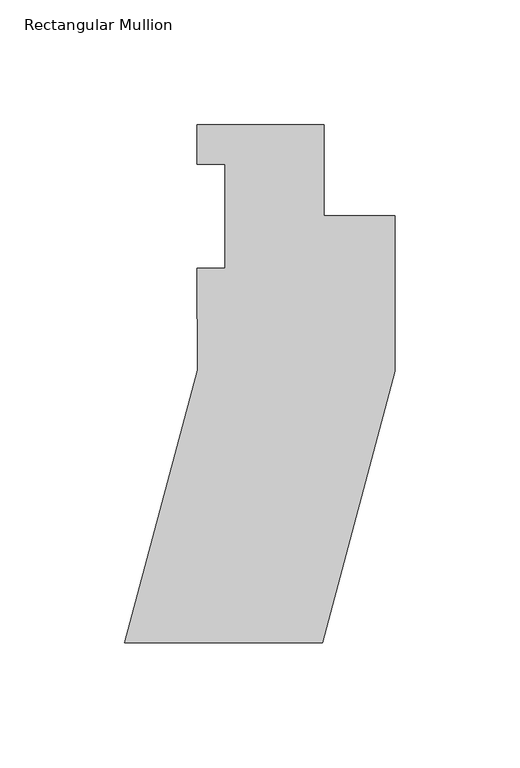
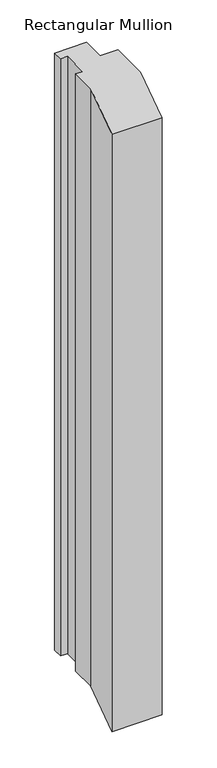
"""IFC4 building model written with IfcOpenShell, lengths in millimetres: member geometry, Rectangular Mullion."""

from ifc_helpers import new_model, si_unit, frame, origin, place, context, project, spatial, polyline, outline, extrude, source, transform, mapped, element, save


def rectangular_mullion_a0f07352(model_context):
    return source(origin(), model_context, "Body", "SweptSolid", [
        extrude(outline(polyline([(-79.3909846, 20.6309776), (-28.5909853, 20.6391986), (-28.5850949, -15.759001), (-0.0100953, -15.7543767), (0.0, -78.1367759), (-29.1665673, -187.0583909), (-108.5415663, -187.0712361), (-79.2821265, -77.8027919), (-79.3910771, -36.8746232), (-68.2691786, -36.8728233), (-68.2759157, 4.7577762), (-79.3884155, 4.7559778), (-79.3909846, 20.6309776)])), frame((0.0, 0.0, -1000.0), z_axis=(0.0, 0.0, 1.0), x_axis=(1.0, 0.0, 0.0)), (0.0, 0.0, 1.0), 1000.0),
    ])


if __name__ == "__main__":
    model = new_model("IFC4")
    model_context = context("Model", 3, world=origin())
    ifc_project = project(units=[si_unit("LENGTHUNIT", "METRE", prefix="MILLI")], contexts=[model_context])
    site = spatial("IfcSite", under=ifc_project)
    building = spatial("IfcBuilding", under=site)
    placement = place(None, origin())
    rectangular_mullion_shape = rectangular_mullion_a0f07352(model_context)
    element("IfcMember", 1, ObjectType="Rectangular Mullion", at=placement, inside=building, context=model_context, shape_type="MappedRepresentation", body=[
        mapped(rectangular_mullion_shape, transform((0.0, 0.0, 0.0), x_axis=(1.0, 0.0, 0.0), y_axis=(0.0, 1.0, 0.0), z_axis=(0.0, 0.0, 1.0))),
    ])
    save(model, "model.ifc")
